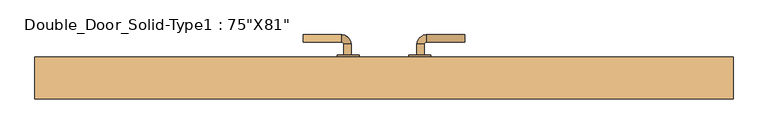
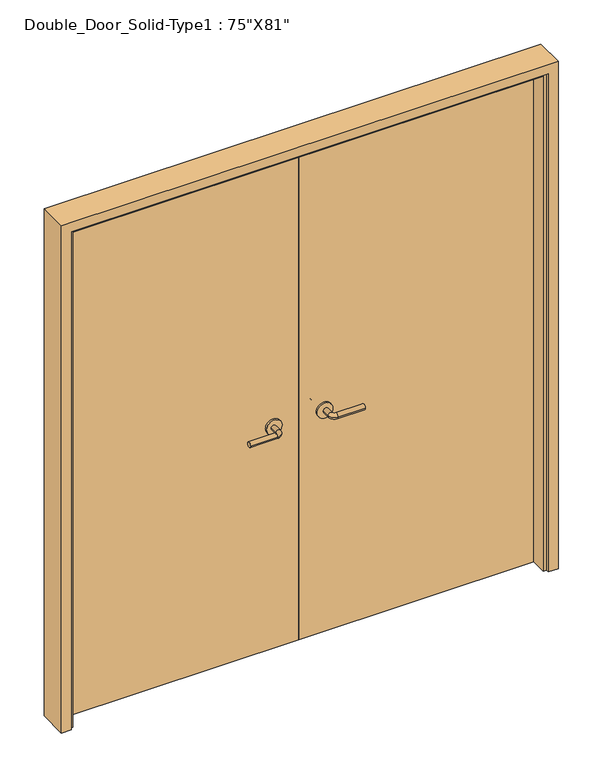
"""IFC4 building model written with IfcOpenShell, lengths in millimetres: door geometry."""

from ifc_helpers import new_model, si_unit, point, frame, frame_2d, origin, origin_with_axes, place, context, project, spatial, polyline, circle_curve, ellipse_curve, trimmed, segment, composite_curve, outline, extrude, faceted_brep, source, transform, mapped, element, save
from ifc_brep_helpers import plane_surface, cylinder_surface, revolved_surface, advanced_brep


def door_4ea3e014(model_context):
    return source(origin(), model_context, "Body", "SolidModel", [
        advanced_brep(
        [(-90.0, 9.15, 900.0), (-110.0, 9.15, 900.0), (-90.0, -20.85, 900.0), (-110.0, -20.85, 900.0), (-115.0, -25.85, 900.0), (-115.0, -45.85, 900.0), (-220.0, -45.85, 900.0), (-220.0, -25.85, 900.0)],
        [
            (0, 1, circle_curve(frame((-100.0, 9.15, 900.0), z_axis=(0.0, 1.0, 0.0), x_axis=(-1.0, 0.0, 0.0)), 10.0)),
            (1, 0, circle_curve(frame((-100.0, 9.15, 900.0), z_axis=(0.0, 1.0, 0.0), x_axis=(-1.0, 0.0, 0.0)), 10.0)),
            (0, 2),
            (2, 3, circle_curve(frame((-100.0, -20.85, 900.0), z_axis=(0.0, 1.0, 0.0), x_axis=(-1.0, 0.0, 0.0)), 10.0)),
            (3, 1),
            (3, 2, circle_curve(frame((-100.0, -20.85, 900.0), z_axis=(0.0, 1.0, 0.0), x_axis=(-1.0, 0.0, 0.0)), 10.0)),
            (4, 3, circle_curve(frame((-115.0, -20.85, 900.0), z_axis=(0.0, 0.0, 1.0), x_axis=(1.0, 0.0, 0.0)), 5.0)),
            (2, 5, circle_curve(frame((-115.0, -20.85, 900.0), z_axis=(0.0, 0.0, -1.0), x_axis=(1.0, 0.0, 0.0)), 25.0)),
            (5, 4, circle_curve(frame((-115.0, -35.85, 900.0), z_axis=(1.0, 0.0, 0.0), x_axis=(0.0, 1.0, 0.0)), 10.0)),
            (4, 5, circle_curve(frame((-115.0, -35.85, 900.0), z_axis=(1.0, 0.0, 0.0), x_axis=(0.0, 1.0, 0.0)), 10.0)),
            (6, 7, circle_curve(frame((-220.0, -35.85, 900.0), z_axis=(-1.0, 0.0, 0.0), x_axis=(0.0, 1.0, 0.0)), 10.0)),
            (7, 6, circle_curve(frame((-220.0, -35.85, 900.0), z_axis=(-1.0, 0.0, 0.0), x_axis=(0.0, 1.0, 0.0)), 10.0)),
            (5, 6),
            (7, 4),
        ],
        [
            plane_surface(frame((-100.0, 9.15, 900.0), z_axis=(0.0, 1.0, 0.0), x_axis=(0.0, 0.0, 1.0))),
            cylinder_surface(frame((-100.0, 9.15, 900.0), z_axis=(0.0, 1.0, 0.0), x_axis=(-1.0, 0.0, 0.0)), 10.0),
            revolved_surface(trimmed(ellipse_curve(frame((-100.0, -20.85, 900.0), z_axis=(0.0, 1.0, 0.0), x_axis=(-1.0, 0.0, 0.0)), 10.0, 10.0), [point((-90.0, -20.85, 900.0))], [point((-110.0, -20.85, 900.0))], True, "CARTESIAN"), (-115.0, -20.85, 900.0), (0.0, 0.0, -1.0)),
            revolved_surface(trimmed(ellipse_curve(frame((-100.0, -20.85, 900.0), z_axis=(0.0, 1.0, 0.0), x_axis=(-1.0, 0.0, 0.0)), 10.0, 10.0), [point((-110.0, -20.85, 900.0))], [point((-90.0, -20.85, 900.0))], True, "CARTESIAN"), (-115.0, -20.85, 900.0), (0.0, 0.0, -1.0)),
            plane_surface(frame((-220.0, -35.85, 900.0), z_axis=(-1.0, 0.0, 0.0), x_axis=(0.0, 0.0, 1.0))),
            cylinder_surface(frame((-115.0, -35.85, 900.0), z_axis=(1.0, 0.0, 0.0), x_axis=(0.0, 1.0, 0.0)), 10.0),
        ],
        [
            (0, [[1, 2]]),
            (1, [[-1, 3, 4, 5]]),
            (1, [[-2, -5, 6, -3]]),
            (2, [[7, -4, 8, 9]]),
            (3, [[-8, -6, -7, 10]]),
            (4, [[11, 12]]),
            (5, [[-9, 13, -12, 14]]),
            (5, [[-10, -14, -11, -13]]),
        ],
    ),
        extrude(outline(composite_curve([segment(trimmed(circle_curve(frame_2d((900.0, -97.5)), 30.0), [point((900.0, -67.5))], [point((900.0, -127.5))], False, "CARTESIAN"), True, "CONTINUOUS"), segment(trimmed(circle_curve(frame_2d((900.0, -97.5)), 30.0), [point((900.0, -127.5))], [point((900.0, -67.5))], False, "CARTESIAN"), True, "CONTINUOUS")], self_intersect=False)), frame((0.0, 9.15, 0.0), z_axis=(0.0, 1.0, 0.0), x_axis=(0.0, 0.0, 1.0)), (0.0, 0.0, 1.0), 8.0),
        advanced_brep(
        [(90.0, 9.15, 900.0), (110.0, 9.15, 900.0), (110.0, -20.85, 900.0), (90.0, -20.85, 900.0), (115.0, -25.85, 900.0), (115.0, -45.85, 900.0), (220.0, -45.85, 900.0), (220.0, -25.85, 900.0)],
        [
            (0, 1, circle_curve(frame((100.0, 9.15, 900.0), z_axis=(0.0, 1.0, 0.0), x_axis=(1.0, 0.0, 0.0)), 10.0)),
            (1, 0, circle_curve(frame((100.0, 9.15, 900.0), z_axis=(0.0, 1.0, 0.0), x_axis=(1.0, 0.0, 0.0)), 10.0)),
            (1, 2),
            (2, 3, circle_curve(frame((100.0, -20.85, 900.0), z_axis=(0.0, 1.0, 0.0), x_axis=(1.0, 0.0, 0.0)), 10.0)),
            (3, 0),
            (3, 2, circle_curve(frame((100.0, -20.85, 900.0), z_axis=(0.0, 1.0, 0.0), x_axis=(1.0, 0.0, 0.0)), 10.0)),
            (4, 5, circle_curve(frame((115.0, -35.85, 900.0), z_axis=(-1.0, 0.0, 0.0), x_axis=(0.0, 1.0, 0.0)), 10.0)),
            (5, 3, circle_curve(frame((115.0, -20.85, 900.0), z_axis=(0.0, 0.0, -1.0), x_axis=(-1.0, 0.0, 0.0)), 25.0)),
            (2, 4, circle_curve(frame((115.0, -20.85, 900.0), z_axis=(0.0, 0.0, 1.0), x_axis=(-1.0, 0.0, 0.0)), 5.0)),
            (5, 4, circle_curve(frame((115.0, -35.85, 900.0), z_axis=(-1.0, 0.0, 0.0), x_axis=(0.0, 1.0, 0.0)), 10.0)),
            (6, 7, circle_curve(frame((220.0, -35.85, 900.0), z_axis=(1.0, 0.0, 0.0), x_axis=(0.0, 1.0, 0.0)), 10.0)),
            (7, 6, circle_curve(frame((220.0, -35.85, 900.0), z_axis=(1.0, 0.0, 0.0), x_axis=(0.0, 1.0, 0.0)), 10.0)),
            (4, 7),
            (6, 5),
        ],
        [
            plane_surface(frame((100.0, 9.15, 900.0), z_axis=(0.0, 1.0, 0.0), x_axis=(0.0, 0.0, 1.0))),
            cylinder_surface(frame((100.0, 9.15, 900.0), z_axis=(0.0, 1.0, 0.0), x_axis=(1.0, 0.0, 0.0)), 10.0),
            revolved_surface(trimmed(ellipse_curve(frame((100.0, -20.85, 900.0), z_axis=(0.0, -1.0, 0.0), x_axis=(1.0, 0.0, 0.0)), 10.0, 10.0), [point((90.0, -20.85, 900.0))], [point((110.0, -20.85, 900.0))], True, "CARTESIAN"), (115.0, -20.85, 900.0), (0.0, 0.0, -1.0)),
            revolved_surface(trimmed(ellipse_curve(frame((100.0, -20.85, 900.0), z_axis=(0.0, -1.0, 0.0), x_axis=(1.0, 0.0, 0.0)), 10.0, 10.0), [point((110.0, -20.85, 900.0))], [point((90.0, -20.85, 900.0))], True, "CARTESIAN"), (115.0, -20.85, 900.0), (0.0, 0.0, -1.0)),
            plane_surface(frame((220.0, -35.85, 900.0), z_axis=(1.0, 0.0, 0.0), x_axis=(0.0, 0.0, 1.0))),
            cylinder_surface(frame((115.0, -35.85, 900.0), z_axis=(-1.0, 0.0, 0.0), x_axis=(0.0, 1.0, 0.0)), 10.0),
        ],
        [
            (0, [[1, 2]]),
            (1, [[3, 4, 5, -2]]),
            (1, [[-5, 6, -3, -1]]),
            (2, [[7, 8, -4, 9]]),
            (3, [[10, -9, -6, -8]]),
            (4, [[11, 12]]),
            (5, [[13, -11, 14, -7]]),
            (5, [[-14, -12, -13, -10]]),
        ],
    ),
        extrude(outline(composite_curve([segment(trimmed(circle_curve(frame_2d((900.0, 97.5)), 30.0), [point((900.0, 67.5))], [point((900.0, 127.5))], False, "CARTESIAN"), True, "CONTINUOUS"), segment(trimmed(circle_curve(frame_2d((900.0, 97.5)), 30.0), [point((900.0, 127.5))], [point((900.0, 67.5))], False, "CARTESIAN"), True, "CONTINUOUS")], self_intersect=False)), frame((0.0, 9.15, 0.0), z_axis=(0.0, 1.0, 0.0), x_axis=(0.0, 0.0, 1.0)), (0.0, 0.0, 1.0), 8.0),
        advanced_brep(
        [(-90.0, 63.25, 900.0), (-110.0, 63.25, 900.0), (-110.0, 93.25, 900.0), (-90.0, 93.25, 900.0), (-115.0, 98.25, 900.0), (-115.0, 118.25, 900.0), (-220.0, 118.25, 900.0), (-220.0, 98.25, 900.0)],
        [
            (0, 1, circle_curve(frame((-100.0, 63.25, 900.0), z_axis=(0.0, -1.0, 0.0), x_axis=(-1.0, 0.0, 0.0)), 10.0)),
            (1, 0, circle_curve(frame((-100.0, 63.25, 900.0), z_axis=(0.0, -1.0, 0.0), x_axis=(-1.0, 0.0, 0.0)), 10.0)),
            (1, 2),
            (2, 3, circle_curve(frame((-100.0, 93.25, 900.0), z_axis=(0.0, -1.0, 0.0), x_axis=(-1.0, 0.0, 0.0)), 10.0)),
            (3, 0),
            (3, 2, circle_curve(frame((-100.0, 93.25, 900.0), z_axis=(0.0, -1.0, 0.0), x_axis=(-1.0, 0.0, 0.0)), 10.0)),
            (4, 5, circle_curve(frame((-115.0, 108.25, 900.0), z_axis=(1.0, 0.0, 0.0), x_axis=(0.0, -1.0, 0.0)), 10.0)),
            (5, 3, circle_curve(frame((-115.0, 93.25, 900.0), z_axis=(0.0, 0.0, -1.0), x_axis=(1.0, 0.0, 0.0)), 25.0)),
            (2, 4, circle_curve(frame((-115.0, 93.25, 900.0), z_axis=(0.0, 0.0, 1.0), x_axis=(1.0, 0.0, 0.0)), 5.0)),
            (5, 4, circle_curve(frame((-115.0, 108.25, 900.0), z_axis=(1.0, 0.0, 0.0), x_axis=(0.0, -1.0, 0.0)), 10.0)),
            (6, 7, circle_curve(frame((-220.0, 108.25, 900.0), z_axis=(-1.0, 0.0, 0.0), x_axis=(0.0, -1.0, 0.0)), 10.0)),
            (7, 6, circle_curve(frame((-220.0, 108.25, 900.0), z_axis=(-1.0, 0.0, 0.0), x_axis=(0.0, -1.0, 0.0)), 10.0)),
            (4, 7),
            (6, 5),
        ],
        [
            plane_surface(frame((-100.0, 63.25, 900.0), z_axis=(0.0, -1.0, 0.0), x_axis=(0.0, 0.0, 1.0))),
            cylinder_surface(frame((-100.0, 63.25, 900.0), z_axis=(0.0, -1.0, 0.0), x_axis=(-1.0, 0.0, 0.0)), 10.0),
            revolved_surface(trimmed(ellipse_curve(frame((-100.0, 93.25, 900.0), z_axis=(0.0, 1.0, 0.0), x_axis=(-1.0, 0.0, 0.0)), 10.0, 10.0), [point((-90.0, 93.25, 900.0))], [point((-110.0, 93.25, 900.0))], True, "CARTESIAN"), (-115.0, 93.25, 900.0), (0.0, 0.0, -1.0)),
            revolved_surface(trimmed(ellipse_curve(frame((-100.0, 93.25, 900.0), z_axis=(0.0, 1.0, 0.0), x_axis=(-1.0, 0.0, 0.0)), 10.0, 10.0), [point((-110.0, 93.25, 900.0))], [point((-90.0, 93.25, 900.0))], True, "CARTESIAN"), (-115.0, 93.25, 900.0), (0.0, 0.0, -1.0)),
            plane_surface(frame((-220.0, 108.25, 900.0), z_axis=(-1.0, 0.0, 0.0), x_axis=(0.0, 0.0, 1.0))),
            cylinder_surface(frame((-115.0, 108.25, 900.0), z_axis=(1.0, 0.0, 0.0), x_axis=(0.0, -1.0, 0.0)), 10.0),
        ],
        [
            (0, [[1, 2]]),
            (1, [[3, 4, 5, -2]]),
            (1, [[-5, 6, -3, -1]]),
            (2, [[7, 8, -4, 9]]),
            (3, [[10, -9, -6, -8]]),
            (4, [[11, 12]]),
            (5, [[13, -11, 14, -7]]),
            (5, [[-14, -12, -13, -10]]),
        ],
    ),
        extrude(outline(composite_curve([segment(trimmed(circle_curve(frame_2d((900.0, -97.5)), 30.0), [point((900.0, -67.5))], [point((900.0, -127.5))], False, "CARTESIAN"), True, "CONTINUOUS"), segment(trimmed(circle_curve(frame_2d((900.0, -97.5)), 30.0), [point((900.0, -127.5))], [point((900.0, -67.5))], False, "CARTESIAN"), True, "CONTINUOUS")], self_intersect=False)), frame((0.0, 55.25, 0.0), z_axis=(0.0, 1.0, 0.0), x_axis=(0.0, 0.0, 1.0)), (0.0, 0.0, 1.0), 8.0),
        advanced_brep(
        [(90.0, 63.25, 900.0), (110.0, 63.25, 900.0), (90.0, 93.25, 900.0), (110.0, 93.25, 900.0), (115.0, 98.25, 900.0), (115.0, 118.25, 900.0), (220.0, 118.25, 900.0), (220.0, 98.25, 900.0)],
        [
            (0, 1, circle_curve(frame((100.0, 63.25, 900.0), z_axis=(0.0, -1.0, 0.0), x_axis=(1.0, 0.0, 0.0)), 10.0)),
            (1, 0, circle_curve(frame((100.0, 63.25, 900.0), z_axis=(0.0, -1.0, 0.0), x_axis=(1.0, 0.0, 0.0)), 10.0)),
            (0, 2),
            (2, 3, circle_curve(frame((100.0, 93.25, 900.0), z_axis=(0.0, -1.0, 0.0), x_axis=(1.0, 0.0, 0.0)), 10.0)),
            (3, 1),
            (3, 2, circle_curve(frame((100.0, 93.25, 900.0), z_axis=(0.0, -1.0, 0.0), x_axis=(1.0, 0.0, 0.0)), 10.0)),
            (4, 3, circle_curve(frame((115.0, 93.25, 900.0), z_axis=(0.0, 0.0, 1.0), x_axis=(-1.0, 0.0, 0.0)), 5.0)),
            (2, 5, circle_curve(frame((115.0, 93.25, 900.0), z_axis=(0.0, 0.0, -1.0), x_axis=(-1.0, 0.0, 0.0)), 25.0)),
            (5, 4, circle_curve(frame((115.0, 108.25, 900.0), z_axis=(-1.0, 0.0, 0.0), x_axis=(0.0, -1.0, 0.0)), 10.0)),
            (4, 5, circle_curve(frame((115.0, 108.25, 900.0), z_axis=(-1.0, 0.0, 0.0), x_axis=(0.0, -1.0, 0.0)), 10.0)),
            (6, 7, circle_curve(frame((220.0, 108.25, 900.0), z_axis=(1.0, 0.0, 0.0), x_axis=(0.0, -1.0, 0.0)), 10.0)),
            (7, 6, circle_curve(frame((220.0, 108.25, 900.0), z_axis=(1.0, 0.0, 0.0), x_axis=(0.0, -1.0, 0.0)), 10.0)),
            (5, 6),
            (7, 4),
        ],
        [
            plane_surface(frame((100.0, 63.25, 900.0), z_axis=(0.0, -1.0, 0.0), x_axis=(0.0, 0.0, 1.0))),
            cylinder_surface(frame((100.0, 63.25, 900.0), z_axis=(0.0, -1.0, 0.0), x_axis=(1.0, 0.0, 0.0)), 10.0),
            revolved_surface(trimmed(ellipse_curve(frame((100.0, 93.25, 900.0), z_axis=(0.0, -1.0, 0.0), x_axis=(1.0, 0.0, 0.0)), 10.0, 10.0), [point((90.0, 93.25, 900.0))], [point((110.0, 93.25, 900.0))], True, "CARTESIAN"), (115.0, 93.25, 900.0), (0.0, 0.0, -1.0)),
            revolved_surface(trimmed(ellipse_curve(frame((100.0, 93.25, 900.0), z_axis=(0.0, -1.0, 0.0), x_axis=(1.0, 0.0, 0.0)), 10.0, 10.0), [point((110.0, 93.25, 900.0))], [point((90.0, 93.25, 900.0))], True, "CARTESIAN"), (115.0, 93.25, 900.0), (0.0, 0.0, -1.0)),
            plane_surface(frame((220.0, 108.25, 900.0), z_axis=(1.0, 0.0, 0.0), x_axis=(0.0, 0.0, 1.0))),
            cylinder_surface(frame((115.0, 108.25, 900.0), z_axis=(-1.0, 0.0, 0.0), x_axis=(0.0, -1.0, 0.0)), 10.0),
        ],
        [
            (0, [[1, 2]]),
            (1, [[-1, 3, 4, 5]]),
            (1, [[-2, -5, 6, -3]]),
            (2, [[7, -4, 8, 9]]),
            (3, [[-8, -6, -7, 10]]),
            (4, [[11, 12]]),
            (5, [[-9, 13, -12, 14]]),
            (5, [[-10, -14, -11, -13]]),
        ],
    ),
        extrude(outline(composite_curve([segment(trimmed(circle_curve(frame_2d((900.0, 97.5)), 30.0), [point((900.0, 67.5))], [point((900.0, 127.5))], False, "CARTESIAN"), True, "CONTINUOUS"), segment(trimmed(circle_curve(frame_2d((900.0, 97.5)), 30.0), [point((900.0, 127.5))], [point((900.0, 67.5))], False, "CARTESIAN"), True, "CONTINUOUS")], self_intersect=False)), frame((0.0, 55.25, 0.0), z_axis=(0.0, 1.0, 0.0), x_axis=(0.0, 0.0, 1.0)), (0.0, 0.0, 1.0), 8.0),
        faceted_brep([(-952.5, -57.15, 0.0), (-952.5, 57.15, 0.0), (-914.4, 57.15, 0.0), (-914.4, 17.15, 0.0), (-901.7, 17.15, 0.0), (-901.7, -46.35, 0.0), (-914.4, -46.35, 0.0), (-914.4, -57.15, 0.0), (-952.5, -57.15, 2057.4), (-952.5, 57.15, 2057.4), (952.5, 57.15, 2057.4), (952.5, 57.15, 0.0), (914.4, 57.15, 0.0), (914.4, 57.15, 2019.3), (-914.4, 57.15, 2019.3), (-914.4, 17.15, 2019.3), (914.4, 17.15, 2019.3), (914.4, 17.15, 0.0), (901.7, 17.15, 0.0), (901.7, 17.15, 2006.6), (-901.7, 17.15, 2006.6), (-901.7, -46.35, 2006.6), (901.7, -46.35, 2006.6), (901.7, -46.35, 0.0), (914.4, -46.35, 0.0), (914.4, -46.35, 2019.3), (-914.4, -46.35, 2019.3), (-914.4, -57.15, 2019.3), (914.4, -57.15, 2019.3), (914.4, -57.15, 0.0), (952.5, -57.15, 0.0), (952.5, -57.15, 2057.4)], [[[0, 1, 2, 3, 4, 5, 6, 7]], [[1, 0, 8, 9]], [[2, 1, 9, 10, 11, 12, 13, 14]], [[3, 2, 14, 15]], [[4, 3, 15, 16, 17, 18, 19, 20]], [[5, 4, 20, 21]], [[6, 5, 21, 22, 23, 24, 25, 26]], [[7, 6, 26, 27]], [[0, 7, 27, 28, 29, 30, 31, 8]], [[10, 31, 30, 11]], [[30, 29, 24, 23, 18, 17, 12, 11]], [[16, 13, 12, 17]], [[22, 19, 18, 23]], [[28, 25, 24, 29]], [[9, 8, 31, 10]], [[15, 14, 13, 16]], [[21, 20, 19, 22]], [[27, 26, 25, 28]]]),
        extrude(outline(polyline([(0.0, 17.15), (-914.4, 17.15), (-914.4, 55.25), (0.0, 55.25), (0.0, 17.15)])), origin_with_axes(), (0.0, 0.0, 1.0), 2019.3),
        extrude(outline(polyline([(914.4, 17.15), (0.0, 17.15), (0.0, 55.25), (914.4, 55.25), (914.4, 17.15)])), origin_with_axes(), (0.0, 0.0, 1.0), 2019.3),
    ])


if __name__ == "__main__":
    model = new_model("IFC4")
    model_context = context("Model", 3, world=origin())
    ifc_project = project(units=[si_unit("LENGTHUNIT", "METRE", prefix="MILLI")], contexts=[model_context])
    site = spatial("IfcSite", under=ifc_project)
    building = spatial("IfcBuilding", under=site)
    placement = place(None, origin())
    door_shape = door_4ea3e014(model_context)
    element("IfcDoor", 1, ObjectType="Double_Door_Solid-Type1 : 75\"X81\"", at=placement, inside=building, context=model_context, shape_type="MappedRepresentation", body=[
        mapped(door_shape, transform((0.0, 0.0, 0.0), x_axis=(1.0, 0.0, 0.0), y_axis=(0.0, 1.0, 0.0), z_axis=(0.0, 0.0, 1.0))),
    ])
    save(model, "model.ifc")
